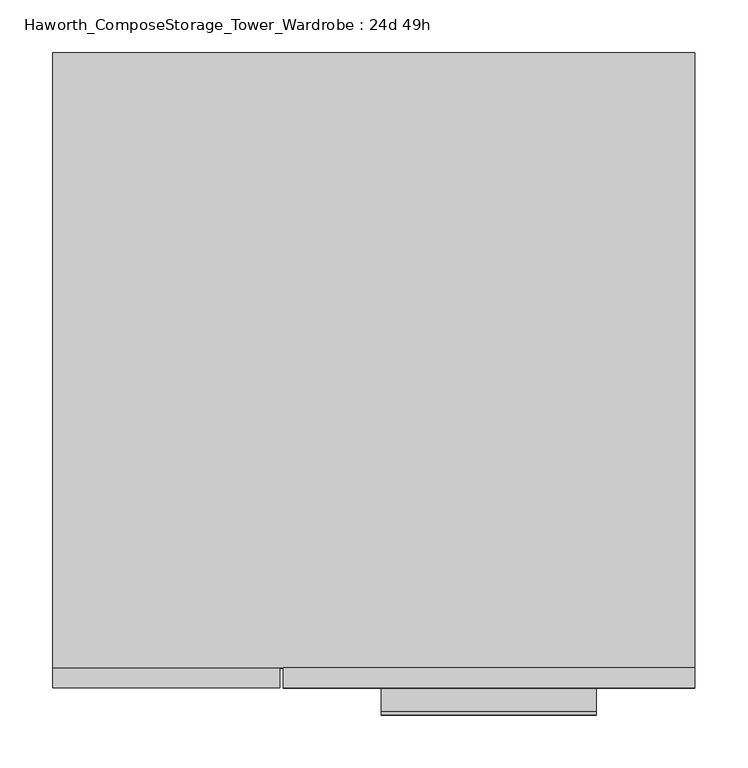
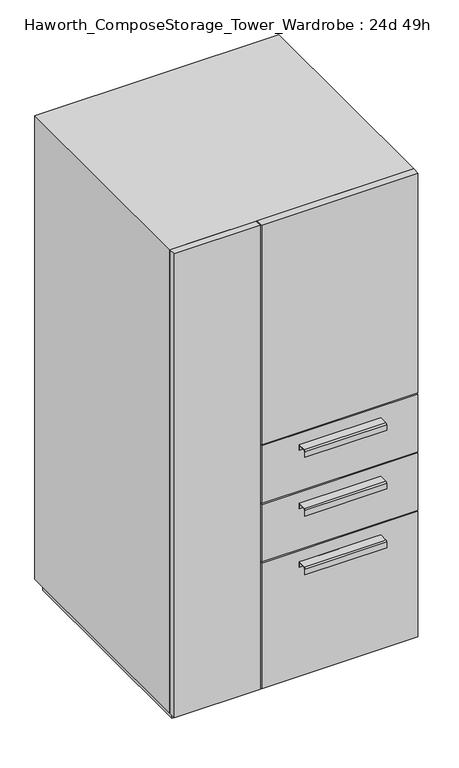
"""IFC4 building model written with IfcOpenShell, lengths in millimetres: furniture geometry, Haworth_ComposeStorage_Tower_Wardrobe : 24d 49h."""

from ifc_helpers import new_model, si_unit, point, frame, frame_2d, origin, origin_with_axes, place, context, project, spatial, polyline, circle_curve, trimmed, segment, composite_curve, outline, extrude, faceted_brep, source, transform, mapped, element, save


def haworth_composestorage_tower_wardrobe_24d_49h_cdca4aba(model_context):
    return source(origin(), model_context, "Body", "SolidModel", [
        extrude(outline(composite_curve([segment(polyline([(-331.7875242, 633.9919215), (-309.5625, 633.9919215), (-309.5625, 620.5299525), (-310.3562742, 620.5299525), (-310.3562742, 633.1982199), (-331.7875242, 633.1982199)]), True, "CONTINUOUS"), segment(trimmed(circle_curve(frame_2d((-331.7875242, 630.8142808)), 2.3839392), [point((-331.7875242, 633.1982199))], [point((-334.1714634, 630.8142808))], True, "CARTESIAN"), True, "CONTINUOUS"), segment(polyline([(-334.1714634, 630.8142808), (-334.1714634, 616.2119021), (-334.9624758, 616.2119021), (-334.9624758, 630.8169699)]), True, "CONTINUOUS"), segment(trimmed(circle_curve(frame_2d((-331.7875242, 630.8169699)), 3.1749516), [point((-334.9624758, 630.8169699))], [point((-331.7875242, 633.9919215))], False, "CARTESIAN"), True, "CONTINUOUS")], self_intersect=False)), frame((7.1576406, 0.0, 0.0), z_axis=(1.0, 0.0, 0.0), x_axis=(0.0, 1.0, 0.0)), (0.0, 0.0, 1.0), 203.2),
        extrude(outline(polyline([(303.2263906, -290.5125), (303.2263906, -309.5625), (-85.7111094, -309.5625), (-85.7111094, -290.5125), (303.2263906, -290.5125)])), frame((0.0, 0.0, 512.7625), z_axis=(0.0, 0.0, 1.0), x_axis=(1.0, 0.0, 0.0)), (0.0, 0.0, 1.0), 150.8125),
        extrude(outline(composite_curve([segment(polyline([(-331.7875242, 480.0044215), (-309.5625, 480.0044215), (-309.5625, 466.5424525), (-310.3562742, 466.5424525), (-310.3562742, 479.2107199), (-331.7875242, 479.2107199)]), True, "CONTINUOUS"), segment(trimmed(circle_curve(frame_2d((-331.7875242, 476.8267808)), 2.3839392), [point((-331.7875242, 479.2107199))], [point((-334.1714634, 476.8267808))], True, "CARTESIAN"), True, "CONTINUOUS"), segment(polyline([(-334.1714634, 476.8267808), (-334.1714634, 462.2244021), (-334.9624758, 462.2244021), (-334.9624758, 476.8294699)]), True, "CONTINUOUS"), segment(trimmed(circle_curve(frame_2d((-331.7875242, 476.8294699)), 3.1749516), [point((-334.9624758, 476.8294699))], [point((-331.7875242, 480.0044215))], False, "CARTESIAN"), True, "CONTINUOUS")], self_intersect=False)), frame((7.1576406, 0.0, 0.0), z_axis=(1.0, 0.0, 0.0), x_axis=(0.0, 1.0, 0.0)), (0.0, 0.0, 1.0), 203.2),
        extrude(outline(polyline([(303.2263906, -290.5125), (303.2263906, -309.5625), (-85.7111094, -309.5625), (-85.7111094, -290.5125), (303.2263906, -290.5125)])), frame((0.0, 0.0, 358.775), z_axis=(0.0, 0.0, 1.0), x_axis=(1.0, 0.0, 0.0)), (0.0, 0.0, 1.0), 150.8125),
        extrude(outline(composite_curve([segment(polyline([(-331.7875242, 326.0169215), (-309.5625, 326.0169215), (-309.5625, 312.5549525), (-310.3562742, 312.5549525), (-310.3562742, 325.2232199), (-331.7875242, 325.2232199)]), True, "CONTINUOUS"), segment(trimmed(circle_curve(frame_2d((-331.7875242, 322.8392808)), 2.3839392), [point((-331.7875242, 325.2232199))], [point((-334.1714634, 322.8392808))], True, "CARTESIAN"), True, "CONTINUOUS"), segment(polyline([(-334.1714634, 322.8392808), (-334.1714634, 308.2369021), (-334.9624758, 308.2369021), (-334.9624758, 322.8419699)]), True, "CONTINUOUS"), segment(trimmed(circle_curve(frame_2d((-331.7875242, 322.8419699)), 3.1749516), [point((-334.9624758, 322.8419699))], [point((-331.7875242, 326.0169215))], False, "CARTESIAN"), True, "CONTINUOUS")], self_intersect=False)), frame((7.1576406, 0.0, 0.0), z_axis=(1.0, 0.0, 0.0), x_axis=(0.0, 1.0, 0.0)), (0.0, 0.0, 1.0), 203.2),
        extrude(outline(polyline([(303.2263906, -290.5125), (303.2263906, -309.5625), (-85.7111094, -309.5625), (-85.7111094, -290.5125), (303.2263906, -290.5125)])), frame((0.0, 0.0, 25.4), z_axis=(0.0, 0.0, 1.0), x_axis=(1.0, 0.0, 0.0)), (0.0, 0.0, 1.0), 330.2),
        extrude(outline(polyline([(303.2263906, -290.5125), (303.2263906, -309.5625), (-85.7111094, -309.5625), (-85.7111094, -290.5125), (303.2263906, -290.5125)])), frame((0.0, 0.0, 666.75), z_axis=(0.0, 0.0, 1.0), x_axis=(1.0, 0.0, 0.0)), (0.0, 0.0, 1.0), 577.85),
        faceted_brep([(-303.1986094, -290.5125, 25.4), (303.2263906, -290.5125, 25.4), (303.2263906, -290.5125, 1244.6), (-303.1986094, -290.5125, 1244.6), (-284.1486094, -290.5125, 44.45), (-284.1486094, -290.5125, 1225.55), (284.1694453, -290.5125, 1225.55), (284.1694453, -290.5125, 44.45), (-303.1986094, 290.5125, 25.4), (-303.1986094, 290.5125, 1244.6), (303.2263906, 290.5125, 1244.6), (303.2263906, 290.5125, 25.4), (-284.1486094, 271.4625, 44.45), (-284.1486094, 271.4625, 1225.55), (284.1694453, 271.4625, 1225.55), (284.1694453, 271.4625, 44.45)], [[[0, 1, 2, 3], [4, 5, 6, 7]], [[8, 9, 10, 11]], [[1, 0, 8, 11]], [[2, 1, 11, 10]], [[3, 2, 10, 9]], [[0, 3, 9, 8]], [[5, 4, 12, 13]], [[6, 5, 13, 14]], [[7, 6, 14, 15]], [[4, 7, 15, 12]], [[13, 12, 15, 14]]]),
        extrude(outline(polyline([(290.5263906, -277.8125), (-290.4986094, -277.8125), (-290.4986094, 277.8125), (290.5263906, 277.8125), (290.5263906, -277.8125)])), origin_with_axes(), (0.0, 0.0, 1.0), 25.4),
        extrude(outline(polyline([(-303.1986094, -309.5625), (-303.1986094, -290.5125), (-88.8861094, -290.5125), (-88.8861094, -309.5625), (-303.1986094, -309.5625)])), frame((0.0, 0.0, 25.4), z_axis=(0.0, 0.0, 1.0), x_axis=(1.0, 0.0, 0.0)), (0.0, 0.0, 1.0), 1219.2),
    ])


if __name__ == "__main__":
    model = new_model("IFC4")
    model_context = context("Model", 3, world=origin())
    ifc_project = project(units=[si_unit("LENGTHUNIT", "METRE", prefix="MILLI")], contexts=[model_context])
    site = spatial("IfcSite", under=ifc_project)
    building = spatial("IfcBuilding", under=site)
    placement = place(None, origin())
    haworth_composestorage_tower_wardrobe_24d_49h_shape = haworth_composestorage_tower_wardrobe_24d_49h_cdca4aba(model_context)
    element("IfcFurniture", 1, ObjectType="Haworth_ComposeStorage_Tower_Wardrobe : 24d 49h", at=placement, inside=building, context=model_context, shape_type="MappedRepresentation", body=[
        mapped(haworth_composestorage_tower_wardrobe_24d_49h_shape, transform((0.0, 0.0, 0.0), x_axis=(1.0, 0.0, 0.0), y_axis=(0.0, 1.0, 0.0), z_axis=(0.0, 0.0, 1.0))),
    ])
    save(model, "model.ifc")
